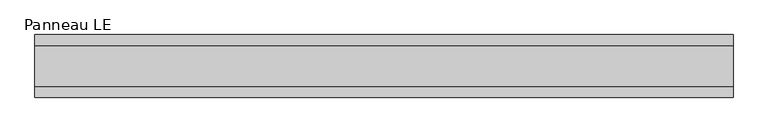
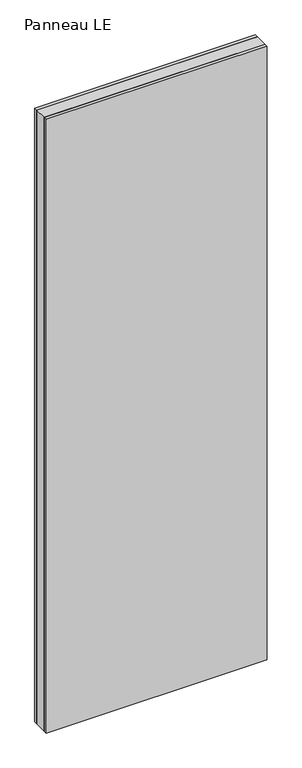
"""IFC4 building model written with IfcOpenShell, lengths in millimetres: plate geometry, Panneau LE."""

from ifc_helpers import new_model, si_unit, origin, origin_with_axes, place, context, project, spatial, polyline, outline, extrude, source, transform, mapped, element, save


def panneau_le_5d24bda1(model_context):
    return source(origin(), model_context, "Body", "SweptSolid", [
        extrude(outline(polyline([(499.4415345, 29.0), (499.4415345, -29.0), (-499.4415345, -29.0), (-499.4415345, 29.0), (499.4415345, 29.0)])), origin_with_axes(), (0.0, 0.0, 1.0), 2933.0),
        extrude(outline(polyline([(499.4415345, 45.0), (499.4415345, 29.0), (-499.4415345, 29.0), (-499.4415345, 45.0), (499.4415345, 45.0)])), origin_with_axes(), (0.0, 0.0, 1.0), 2933.0),
        extrude(outline(polyline([(-499.4415345, -45.0), (-499.4415345, -29.0), (499.4415345, -29.0), (499.4415345, -45.0), (-499.4415345, -45.0)])), origin_with_axes(), (0.0, 0.0, 1.0), 2933.0),
    ])


if __name__ == "__main__":
    model = new_model("IFC4")
    model_context = context("Model", 3, world=origin())
    ifc_project = project(units=[si_unit("LENGTHUNIT", "METRE", prefix="MILLI")], contexts=[model_context])
    site = spatial("IfcSite", under=ifc_project)
    building = spatial("IfcBuilding", under=site)
    placement = place(None, origin())
    panneau_le_shape = panneau_le_5d24bda1(model_context)
    element("IfcPlate", 1, ObjectType="Panneau LE", at=placement, inside=building, context=model_context, shape_type="MappedRepresentation", body=[
        mapped(panneau_le_shape, transform((0.0, 0.0, 0.0), x_axis=(1.0, 0.0, 0.0), y_axis=(0.0, 1.0, 0.0), z_axis=(0.0, 0.0, 1.0))),
    ])
    save(model, "model.ifc")
